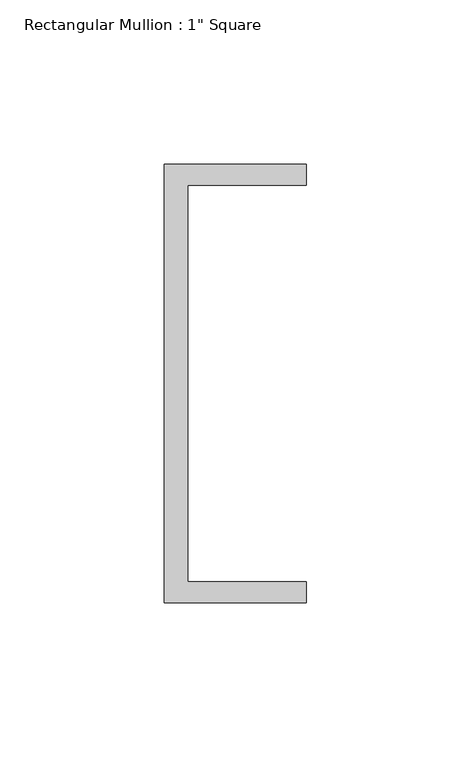
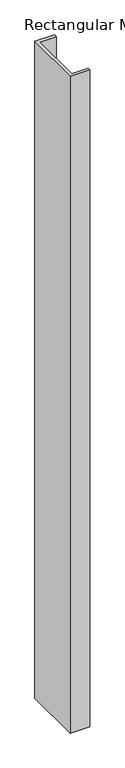
"""IFC4 building model written with IfcOpenShell, lengths in millimetres: member geometry."""

from ifc_helpers import new_model, si_unit, frame, origin, place, context, project, spatial, polyline, outline, extrude, source, transform, mapped, element, save


def member_ef25ab88(model_context):
    return source(origin(), model_context, "Body", "SweptSolid", [
        extrude(outline(polyline([(-18.6549463, 135.2608739), (24.5675083, 135.2608739), (24.5675083, 128.9108739), (-11.6110886, 128.9108739), (-11.6110886, 8.2608739), (24.5675083, 8.2608739), (24.5675083, 1.9108739), (-18.6549463, 1.9108739), (-18.6549463, 135.2608739)])), frame((0.0, 0.0, -1521.9133067), z_axis=(0.0, 0.0, 1.0), x_axis=(1.0, 0.0, 0.0)), (0.0, 0.0, 1.0), 1521.9133067),
    ])


if __name__ == "__main__":
    model = new_model("IFC4")
    model_context = context("Model", 3, world=origin())
    ifc_project = project(units=[si_unit("LENGTHUNIT", "METRE", prefix="MILLI")], contexts=[model_context])
    site = spatial("IfcSite", under=ifc_project)
    building = spatial("IfcBuilding", under=site)
    placement = place(None, origin())
    member_shape = member_ef25ab88(model_context)
    element("IfcMember", 1, ObjectType="Rectangular Mullion : 1\" Square", at=placement, inside=building, context=model_context, shape_type="MappedRepresentation", body=[
        mapped(member_shape, transform((0.0, 0.0, 0.0), x_axis=(1.0, 0.0, 0.0), y_axis=(0.0, 1.0, 0.0), z_axis=(0.0, 0.0, 1.0))),
    ])
    save(model, "model.ifc")
